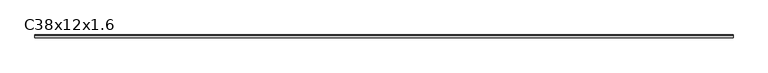
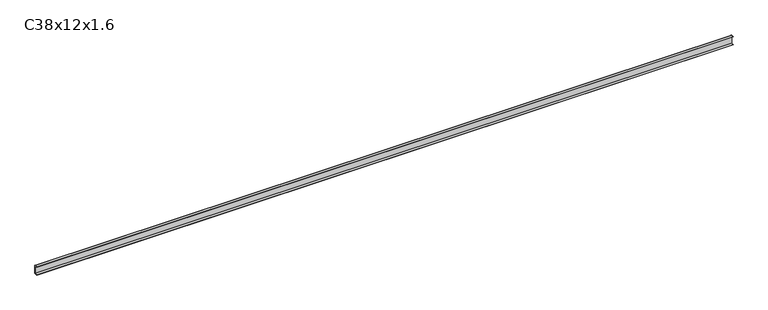
"""IFC4 building model written with IfcOpenShell, lengths in millimetres: proxy geometry, C38x12x1.6."""

from ifc_helpers import new_model, si_unit, point, frame, frame_2d, origin, place, context, project, spatial, polyline, circle_curve, trimmed, segment, composite_curve, outline, extrude, source, transform, mapped, element, save


def c38x12x1_6_8d92aa70(model_context):
    return source(origin(), model_context, "Body", "SweptSolid", [
        extrude(outline(composite_curve([segment(polyline([(-6.0, 36.4), (-6.0, 38.0), (4.4, 38.0)]), True, "CONTINUOUS"), segment(trimmed(circle_curve(frame_2d((4.4, 36.4)), 1.6), [point((4.4, 38.0))], [point((6.0, 36.4))], False, "CARTESIAN"), True, "CONTINUOUS"), segment(polyline([(6.0, 36.4), (6.0, 1.6)]), True, "CONTINUOUS"), segment(trimmed(circle_curve(frame_2d((4.4, 1.6)), 1.6), [point((6.0, 1.6))], [point((4.4, 0.0))], False, "CARTESIAN"), True, "CONTINUOUS"), segment(polyline([(4.4, 0.0), (-6.0, 0.0), (-6.0, 1.6), (4.4, 1.6), (4.4, 36.4), (-6.0, 36.4)]), True, "CONTINUOUS")], self_intersect=False)), frame((0.0, 0.0, 0.0), z_axis=(1.0, 0.0, 0.0), x_axis=(0.0, 1.0, 0.0)), (0.0, 0.0, 1.0), 3000.0),
    ])


if __name__ == "__main__":
    model = new_model("IFC4")
    model_context = context("Model", 3, world=origin())
    ifc_project = project(units=[si_unit("LENGTHUNIT", "METRE", prefix="MILLI")], contexts=[model_context])
    site = spatial("IfcSite", under=ifc_project)
    building = spatial("IfcBuilding", under=site)
    placement = place(None, origin())
    c38x12x1_6_shape = c38x12x1_6_8d92aa70(model_context)
    element("IfcBuildingElementProxy", 1, Name="C38x12x1.6", ObjectType="C38x12x1.6", at=placement, inside=building, context=model_context, shape_type="MappedRepresentation", body=[
        mapped(c38x12x1_6_shape, transform((0.0, 0.0, 0.0), x_axis=(1.0, 0.0, 0.0), y_axis=(0.0, 1.0, 0.0), z_axis=(0.0, 0.0, 1.0))),
    ])
    save(model, "model.ifc")
